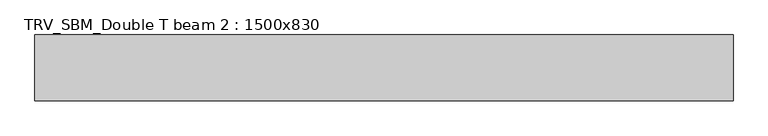
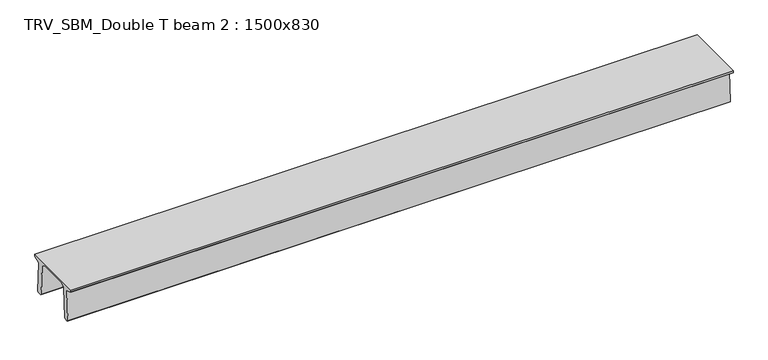
"""IFC4 building model written with IfcOpenShell, lengths in millimetres: beam geometry, TRV_SBM_Double T beam 2 : 1500x830."""

from ifc_helpers import new_model, si_unit, frame, origin, place, context, project, spatial, polyline, outline, extrude, source, transform, mapped, element, save


def trv_sbm_double_t_beam_2_1500x830_0bf5b263(model_context):
    return source(origin(), model_context, "Body", "SweptSolid", [
        extrude(outline(polyline([(337.4555014, 470.0), (-343.4555014, 470.0), (-456.5828437, 409.8491251), (-494.786332, -340.5206011), (-514.2657308, -360.0), (-604.2657308, -360.0), (-624.8277662, -339.4379646), (-586.9373878, 401.9654693), (-752.8511046, 468.9989621), (-753.0, 475.0), (-753.0, 520.0), (747.0, 520.0), (747.0, 475.0), (746.8511046, 468.9989621), (580.9373878, 401.9654693), (618.8277662, -339.4379646), (598.2657308, -360.0), (508.2657308, -360.0), (488.786332, -340.5206011), (450.5828437, 409.8491251), (337.4555014, 470.0)])), frame((-7906.5, 0.0, 0.0), z_axis=(1.0, 0.0, 0.0), x_axis=(0.0, 1.0, 0.0)), (0.0, 0.0, 1.0), 15890.0),
    ])


if __name__ == "__main__":
    model = new_model("IFC4")
    model_context = context("Model", 3, world=origin())
    ifc_project = project(units=[si_unit("LENGTHUNIT", "METRE", prefix="MILLI")], contexts=[model_context])
    site = spatial("IfcSite", under=ifc_project)
    building = spatial("IfcBuilding", under=site)
    placement = place(None, origin())
    trv_sbm_double_t_beam_2_1500x830_shape = trv_sbm_double_t_beam_2_1500x830_0bf5b263(model_context)
    element("IfcBeam", 1, ObjectType="TRV_SBM_Double T beam 2 : 1500x830", at=placement, inside=building, context=model_context, shape_type="MappedRepresentation", body=[
        mapped(trv_sbm_double_t_beam_2_1500x830_shape, transform((0.0, 0.0, 0.0), x_axis=(1.0, 0.0, 0.0), y_axis=(0.0, 1.0, 0.0), z_axis=(0.0, 0.0, 1.0))),
    ])
    save(model, "model.ifc")
